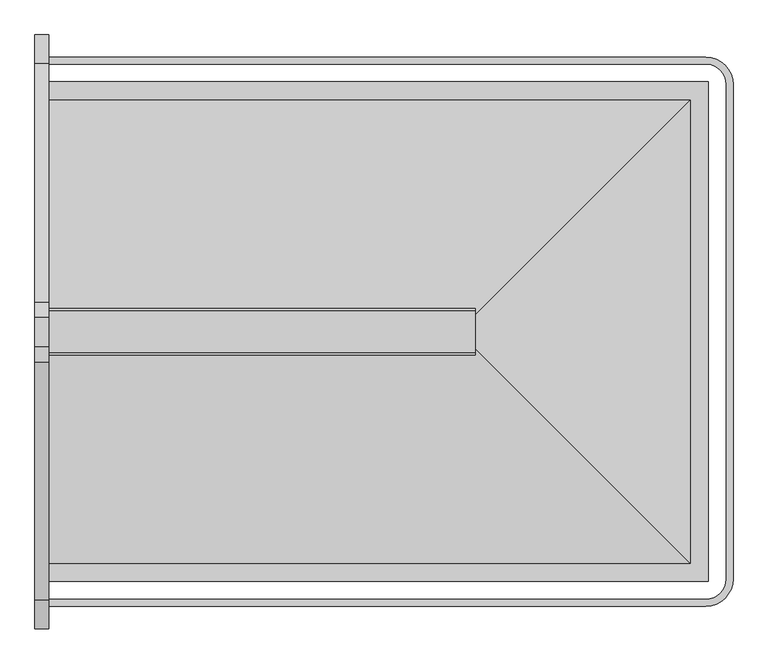
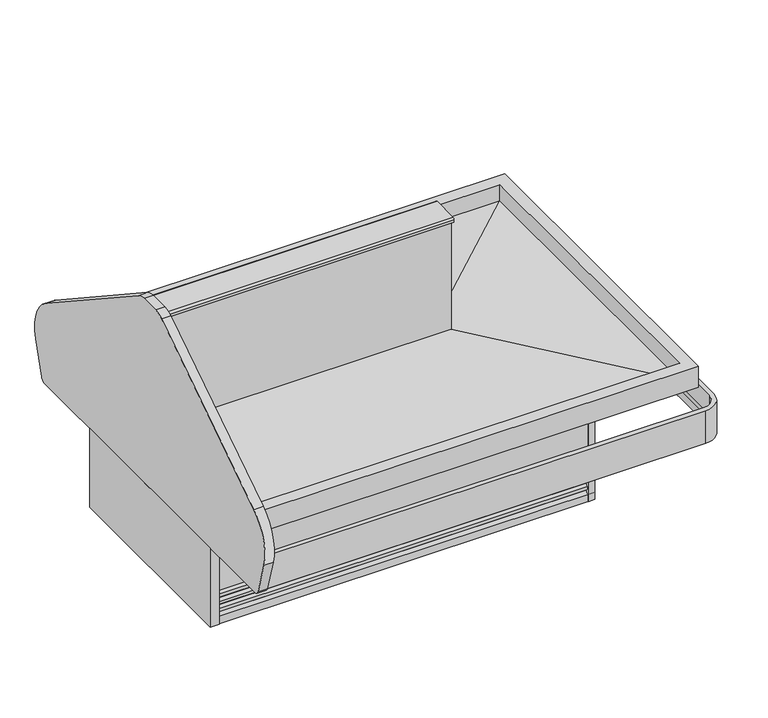
"""IFC4 building model written with IfcOpenShell, lengths in millimetres: proxy geometry."""

from ifc_helpers import new_model, si_unit, point, frame, frame_2d, origin, origin_with_axes, place, context, project, spatial, polyline, circle_curve, ellipse_curve, trimmed, segment, composite_curve, outline, extrude, faceted_brep, source, transform, mapped, element, save
from ifc_brep_helpers import plane_surface, cylinder_surface, revolved_surface, advanced_brep


def mechanical_equipment_9967d1b8(model_context):
    return source(origin(), model_context, "Body", "SolidModel", [
        extrude(outline(polyline([(1134.8471585, -1349.5419805), (1439.6471585, -1349.5419805), (1439.6471585, -1451.1419805), (1134.8471585, -1451.1419805), (1134.8471585, -1349.5419805)])), frame((0.0, 0.0, 139.7), z_axis=(0.0, 0.0, 1.0), x_axis=(1.0, 0.0, 0.0)), (0.0, 0.0, 1.0), 53.975),
        extrude(outline(polyline([(1531.3598969, -1584.9212739), (1531.3598969, -1559.5212739), (1558.1766466, -1559.5212739), (1558.1766466, -1584.9212739), (1531.3598969, -1584.9212739)])), origin_with_axes(), (0.0, 0.0, 1.0), 374.65),
        extrude(outline(polyline([(1531.3598969, -741.8679807), (1558.1766466, -741.8679807), (1558.1766466, -767.2679807), (1531.3598969, -767.2679807), (1531.3598969, -741.8679807)])), origin_with_axes(), (0.0, 0.0, 1.0), 374.65),
        extrude(outline(polyline([(0.0, -731.9819232), (0.0, -1595.5819232), (-38.1, -1595.5819232), (-38.1, -731.9819232), (0.0, -731.9819232)])), frame((0.0, 0.0, 6.9057478), z_axis=(0.0, 0.0, 1.0), x_axis=(1.0, 0.0, 0.0)), (0.0, 0.0, 1.0), 345.0493522),
        extrude(outline(composite_curve([segment(trimmed(circle_curve(frame_2d((-516.8439232, 562.0131)), 177.8), [point((-419.2796259, 710.653767))], [point((-346.4870073, 511.107686))], False, "CARTESIAN"), True, "CONTINUOUS"), segment(polyline([(-346.4870073, 511.107686), (-388.6275049, 370.082898)]), True, "CONTINUOUS"), segment(trimmed(circle_curve(frame_2d((-412.9642072, 377.3551)), 25.4), [point((-388.6275049, 370.082898))], [point((-412.9642072, 351.9551))], False, "CARTESIAN"), True, "CONTINUOUS"), segment(polyline([(-412.9642072, 351.9551), (-1914.5996393, 351.9551)]), True, "CONTINUOUS"), segment(trimmed(circle_curve(frame_2d((-1914.5996393, 377.3551)), 25.4), [point((-1914.5996393, 351.9551))], [point((-1938.9363416, 370.082898))], False, "CARTESIAN"), True, "CONTINUOUS"), segment(polyline([(-1938.9363416, 370.082898), (-1981.0768392, 511.107686)]), True, "CONTINUOUS"), segment(trimmed(circle_curve(frame_2d((-1810.7199232, 562.0131)), 177.8), [point((-1981.0768392, 511.107686))], [point((-1908.2842206, 710.653767))], False, "CARTESIAN"), True, "CONTINUOUS"), segment(polyline([(-1908.2842206, 710.653767), (-1246.8701935, 1144.790643)]), True, "CONTINUOUS"), segment(trimmed(circle_curve(frame_2d((-1205.0569232, 1081.0875)), 76.2), [point((-1246.8701935, 1144.790643))], [point((-1205.0569232, 1157.2875))], False, "CARTESIAN"), True, "CONTINUOUS"), segment(polyline([(-1205.0569232, 1157.2875), (-1122.5069232, 1157.2875)]), True, "CONTINUOUS"), segment(trimmed(circle_curve(frame_2d((-1122.5069232, 1081.0875)), 76.2), [point((-1122.5069232, 1157.2875))], [point((-1080.693653, 1144.790643))], False, "CARTESIAN"), True, "CONTINUOUS"), segment(polyline([(-1080.693653, 1144.790643), (-419.2796259, 710.653767)]), True, "CONTINUOUS")], self_intersect=False)), frame((-38.1, 0.0, 0.0), z_axis=(1.0, 0.0, 0.0), x_axis=(0.0, 1.0, 0.0)), (0.0, 0.0, 1.0), 38.1),
        advanced_brep(
        [(0.0, -420.1796936, 418.0867024), (0.0, -416.2093665, 395.5698585), (1822.5002227, -416.2093665, 395.5698585), (1822.5002227, -420.1796936, 418.0867024), (0.0, -420.1796936, 502.405218), (1822.5002227, -420.1796936, 502.405218), (0.0, -401.4773665, 502.405218), (1879.8649337, -477.5444046, 502.405218), (1879.8649337, -1849.24485, 502.405218), (1822.5002227, -1906.609561, 502.405218), (0.0, -1906.609561, 502.405218), (0.0, -1925.3118881, 502.405218), (1822.5002227, -1925.3118881, 502.405218), (1898.5672608, -1849.24485, 502.405218), (1898.5672608, -477.5444046, 502.405218), (1822.5002227, -401.4773665, 502.405218), (0.0, -401.4773665, 359.148946), (1822.5002227, -401.4773665, 359.148946), (0.0, -416.2093665, 359.148946), (1898.5672608, -477.5444046, 359.148946), (1898.5672608, -1849.24485, 359.148946), (1822.5002227, -1925.3118881, 359.148946), (0.0, -1925.3118881, 359.148946), (0.0, -1910.5798881, 359.148946), (1822.5002227, -1910.5798881, 359.148946), (1883.8352608, -1849.24485, 359.148946), (1883.8352608, -477.5444046, 359.148946), (1822.5002227, -416.2093665, 359.148946), (1879.8649337, -477.5444046, 418.0867024), (1883.8352608, -477.5444046, 395.5698585), (1883.8352608, -1849.24485, 395.5698585), (1879.8649337, -1849.24485, 418.0867024), (1822.5002227, -1906.609561, 418.0867024), (1822.5002227, -1910.5798881, 395.5698585), (0.0, -1910.5798881, 395.5698585), (0.0, -1906.609561, 418.0867024)],
        [
            (0, 1),
            (1, 2),
            (2, 3),
            (3, 0),
            (4, 0),
            (3, 5),
            (5, 4),
            (6, 4),
            (5, 7, circle_curve(frame((1822.5002227, -477.5444046, 502.405218), z_axis=(0.0, 0.0, -1.0), x_axis=(0.0, 1.0, 0.0)), 57.364711)),
            (7, 8),
            (8, 9, circle_curve(frame((1822.5002227, -1849.24485, 502.405218), z_axis=(0.0, 0.0, -1.0), x_axis=(1.0, 0.0, 0.0)), 57.364711)),
            (9, 10),
            (10, 11),
            (11, 12),
            (12, 13, circle_curve(frame((1822.5002227, -1849.24485, 502.405218), z_axis=(0.0, 0.0, 1.0), x_axis=(1.0, 0.0, 0.0)), 76.0670381)),
            (13, 14),
            (14, 15, circle_curve(frame((1822.5002227, -477.5444046, 502.405218), z_axis=(0.0, 0.0, 1.0), x_axis=(0.0, 1.0, 0.0)), 76.0670381)),
            (15, 6),
            (16, 6),
            (15, 17),
            (17, 16),
            (18, 16),
            (17, 19, circle_curve(frame((1822.5002227, -477.5444046, 359.148946), z_axis=(0.0, 0.0, -1.0), x_axis=(0.0, 1.0, 0.0)), 76.0670381)),
            (19, 20),
            (20, 21, circle_curve(frame((1822.5002227, -1849.24485, 359.148946), z_axis=(0.0, 0.0, -1.0), x_axis=(1.0, 0.0, 0.0)), 76.0670381)),
            (21, 22),
            (22, 23),
            (23, 24),
            (24, 25, circle_curve(frame((1822.5002227, -1849.24485, 359.148946), z_axis=(0.0, 0.0, 1.0), x_axis=(1.0, 0.0, 0.0)), 61.3350381)),
            (25, 26),
            (26, 27, circle_curve(frame((1822.5002227, -477.5444046, 359.148946), z_axis=(0.0, 0.0, 1.0), x_axis=(0.0, 1.0, 0.0)), 61.3350381)),
            (27, 18),
            (1, 18),
            (27, 2),
            (28, 3, circle_curve(frame((1822.5002227, -477.5444046, 418.0867024), z_axis=(0.0, 0.0, 1.0), x_axis=(0.0, 1.0, 0.0)), 57.364711)),
            (2, 29, circle_curve(frame((1822.5002227, -477.5444046, 395.5698585), z_axis=(0.0, 0.0, -1.0), x_axis=(0.0, 1.0, 0.0)), 61.3350381)),
            (29, 28),
            (28, 7),
            (14, 19),
            (26, 29),
            (29, 30),
            (30, 31),
            (31, 28),
            (31, 8),
            (13, 20),
            (25, 30),
            (32, 31, circle_curve(frame((1822.5002227, -1849.24485, 418.0867024), z_axis=(0.0, 0.0, 1.0), x_axis=(1.0, 0.0, 0.0)), 57.364711)),
            (30, 33, circle_curve(frame((1822.5002227, -1849.24485, 395.5698585), z_axis=(0.0, 0.0, -1.0), x_axis=(1.0, 0.0, 0.0)), 61.3350381)),
            (33, 32),
            (32, 9),
            (12, 21),
            (24, 33),
            (34, 23),
            (22, 11),
            (10, 35),
            (35, 34),
            (33, 34),
            (35, 32),
        ],
        [
            plane_surface(frame((0.0, -416.2093665, 395.5698585), z_axis=(0.0, -0.9848077530122059, -0.17364817766694265), x_axis=(1.0, 0.0, 0.0))),
            plane_surface(frame((0.0, -420.1796936, 418.0867024), z_axis=(0.0, -1.0, 0.0), x_axis=(1.0, 0.0, 0.0))),
            plane_surface(frame((0.0, -420.1796936, 502.405218), z_axis=(0.0, 0.0, 1.0), x_axis=(1.0, 0.0, 0.0))),
            plane_surface(frame((0.0, -401.4773665, 502.405218), z_axis=(0.0, 1.0, 0.0), x_axis=(1.0, 0.0, 0.0))),
            plane_surface(frame((0.0, -401.4773665, 359.148946), z_axis=(0.0, 0.0, -1.0), x_axis=(1.0, 0.0, 0.0))),
            plane_surface(frame((0.0, -416.2093665, 359.148946), z_axis=(0.0, -1.0, 0.0), x_axis=(1.0, 0.0, 0.0))),
            revolved_surface(polyline([(1822.5002227, -416.2093665, 395.5698585), (1822.5002227, -420.1796936, 418.0867024)]), (1822.5002227, -477.5444046, 0.0), (0.0, 0.0, -1.0)),
            revolved_surface(polyline([(1822.5002227, -420.1796936, 418.0867024), (1822.5002227, -420.1796936, 502.405218)]), (1822.5002227, -477.5444046, 0.0), (0.0, 0.0, -1.0)),
            cylinder_surface(frame((1822.5002227, -477.5444046, 0.0), z_axis=(0.0, 0.0, -1.0), x_axis=(0.0, 1.0, 0.0)), 76.0670381),
            revolved_surface(polyline([(1822.5002227, -416.2093665, 359.148946), (1822.5002227, -416.2093665, 395.5698585)]), (1822.5002227, -477.5444046, 0.0), (0.0, 0.0, -1.0)),
            plane_surface(frame((1883.8352608, -477.5444046, 395.5698585), z_axis=(-0.9848077530122059, 0.0, -0.17364817766694265), x_axis=(0.0, -1.0, 0.0))),
            plane_surface(frame((1879.8649337, -477.5444046, 418.0867024), z_axis=(-1.0, 0.0, 0.0), x_axis=(0.0, -1.0, 0.0))),
            plane_surface(frame((1898.5672608, -477.5444046, 502.405218), z_axis=(1.0, 0.0, 0.0), x_axis=(0.0, -1.0, 0.0))),
            plane_surface(frame((1883.8352608, -477.5444046, 359.148946), z_axis=(-1.0, 0.0, 0.0), x_axis=(0.0, -1.0, 0.0))),
            revolved_surface(polyline([(1883.8352608, -1849.24485, 395.5698585), (1879.8649337, -1849.24485, 418.0867024)]), (1822.5002227, -1849.24485, 0.0), (0.0, 0.0, -1.0)),
            revolved_surface(polyline([(1879.8649337, -1849.24485, 418.0867024), (1879.8649337, -1849.24485, 502.405218)]), (1822.5002227, -1849.24485, 0.0), (0.0, 0.0, -1.0)),
            cylinder_surface(frame((1822.5002227, -1849.24485, 0.0), z_axis=(0.0, 0.0, -1.0), x_axis=(1.0, 0.0, 0.0)), 76.0670381),
            revolved_surface(polyline([(1883.8352608, -1849.24485, 359.148946), (1883.8352608, -1849.24485, 395.5698585)]), (1822.5002227, -1849.24485, 0.0), (0.0, 0.0, -1.0)),
            plane_surface(frame((0.0, -1925.44485, 0.0), z_axis=(-1.0, 0.0, 0.0), x_axis=(0.0, 0.0, 1.0))),
            plane_surface(frame((1822.5002227, -1910.5798881, 395.5698585), z_axis=(0.0, 0.9848077530122059, -0.17364817766694265), x_axis=(-1.0, 0.0, 0.0))),
            plane_surface(frame((1822.5002227, -1906.609561, 418.0867024), z_axis=(0.0, 1.0, 0.0), x_axis=(-1.0, 0.0, 0.0))),
            plane_surface(frame((1822.5002227, -1925.3118881, 502.405218), z_axis=(0.0, -1.0, 0.0), x_axis=(-1.0, 0.0, 0.0))),
            plane_surface(frame((1822.5002227, -1910.5798881, 359.148946), z_axis=(0.0, 1.0, 0.0), x_axis=(-1.0, 0.0, 0.0))),
            plane_surface(frame((0.0, -401.3444046, 0.0), z_axis=(-1.0, 0.0, 0.0), x_axis=(0.0, 0.0, 1.0))),
        ],
        [
            (0, [[1, 2, 3, 4]]),
            (1, [[5, -4, 6, 7]]),
            (2, [[8, -7, 9, 10, 11, 12, 13, 14, 15, 16, 17, 18]]),
            (3, [[19, -18, 20, 21]]),
            (4, [[22, -21, 23, 24, 25, 26, 27, 28, 29, 30, 31, 32]]),
            (5, [[33, -32, 34, -2]]),
            (6, [[35, -3, 36, 37]]),
            (7, [[-9, -6, -35, 38]]),
            (8, [[-23, -20, -17, 39]]),
            (9, [[-36, -34, -31, 40]]),
            (10, [[-37, 41, 42, 43]]),
            (11, [[-38, -43, 44, -10]]),
            (12, [[-39, -16, 45, -24]]),
            (13, [[-40, -30, 46, -41]]),
            (14, [[47, -42, 48, 49]]),
            (15, [[-11, -44, -47, 50]]),
            (16, [[-25, -45, -15, 51]]),
            (17, [[-48, -46, -29, 52]]),
            (18, [[53, -27, 54, -13, 55, 56]]),
            (19, [[-49, 57, -56, 58]]),
            (20, [[-50, -58, -55, -12]]),
            (21, [[-51, -14, -54, -26]]),
            (22, [[-52, -28, -53, -57]]),
            (23, [[-1, -5, -8, -19, -22, -33]]),
        ],
    ),
        extrude(outline(composite_curve([segment(trimmed(circle_curve(frame_2d((914.43601, -1163.895984)), 19.05), [point((895.38601, -1163.895984))], [point((933.48601, -1163.895984))], False, "CARTESIAN"), True, "CONTINUOUS"), segment(trimmed(circle_curve(frame_2d((914.43601, -1163.895984)), 19.05), [point((933.48601, -1163.895984))], [point((895.38601, -1163.895984))], False, "CARTESIAN"), True, "CONTINUOUS")], self_intersect=False)), frame((0.0, 0.0, 76.8737583), z_axis=(0.0, 0.0, 1.0), x_axis=(1.0, 0.0, 0.0)), (0.0, 0.0, 1.0), 177.1262417),
        extrude(outline(composite_curve([segment(trimmed(circle_curve(frame_2d((1201.880696, -839.5446273)), 11.1125), [point((1190.768196, -839.5446273))], [point((1212.993196, -839.5446273))], False, "CARTESIAN"), True, "CONTINUOUS"), segment(trimmed(circle_curve(frame_2d((1201.880696, -839.5446273)), 11.1125), [point((1212.993196, -839.5446273))], [point((1190.768196, -839.5446273))], False, "CARTESIAN"), True, "CONTINUOUS")], self_intersect=False)), frame((0.0, 0.0, 76.8737583), z_axis=(0.0, 0.0, 1.0), x_axis=(1.0, 0.0, 0.0)), (0.0, 0.0, 1.0), 177.1262417),
        extrude(outline(composite_curve([segment(trimmed(circle_curve(frame_2d((1226.7403435, -839.5446273)), 4.7625), [point((1221.9778435, -839.5446273))], [point((1231.5028435, -839.5446273))], False, "CARTESIAN"), True, "CONTINUOUS"), segment(trimmed(circle_curve(frame_2d((1226.7403435, -839.5446273)), 4.7625), [point((1231.5028435, -839.5446273))], [point((1221.9778435, -839.5446273))], False, "CARTESIAN"), True, "CONTINUOUS")], self_intersect=False)), frame((0.0, 0.0, 76.8737583), z_axis=(0.0, 0.0, 1.0), x_axis=(1.0, 0.0, 0.0)), (0.0, 0.0, 1.0), 177.1262417),
        advanced_brep(
        [(0.0, -1584.6852943, 354.4616084), (0.0, -1584.6852943, 146.1174288), (1557.940667, -1584.6852943, 146.1174288), (1557.940667, -1584.6852943, 354.4616084), (0.0, -1565.1907943, 374.65), (0.0, -1565.1907943, 354.4616084), (1538.446167, -1565.1907943, 354.4616084), (1538.446167, -1565.1907943, 374.65), (0.0, -1465.3557062, 146.1174288), (0.0, -1465.3557062, 374.65), (1438.6110789, -1465.3557062, 374.65), (1438.6110789, -1465.3557062, 198.7540798), (1131.5491321, -1465.3557062, 198.7540798), (1131.5491321, -1465.3557062, 146.1174288), (1557.940667, -742.1039603, 146.1174288), (1557.940667, -742.1039603, 354.4616084), (1538.446167, -761.5984603, 354.4616084), (1538.446167, -761.5984603, 374.65), (1438.6110789, -861.4335484, 374.65), (1438.6110789, -861.4335484, 146.1174288), (1438.6110789, -1332.4893336, 146.1174288), (1438.6110789, -1332.4893336, 198.7540798), (0.0, -742.1039603, 354.4616084), (0.0, -742.1039603, 146.1174288), (0.0, -761.5984603, 354.4616084), (0.0, -761.5984603, 374.65), (0.0, -861.4335484, 374.65), (0.0, -861.4335484, 146.1174288), (1193.0263558, -861.4335484, 146.1174288), (1193.0263558, -861.4335484, 254.0), (1239.0236442, -861.4335484, 254.0), (1239.0236442, -861.4335484, 146.1174288), (1184.275, -839.5446273, 254.0), (1247.775, -839.5446273, 254.0), (1247.775, -839.5446273, 146.1174288), (1184.275, -839.5446273, 146.1174288), (1442.6991321, -1332.4893336, 198.7540798), (1442.6991321, -1468.1946273, 198.7540798), (1131.5491321, -1468.1946273, 198.7540798), (1442.6991321, -1468.1946273, 146.1174288), (1131.5491321, -1468.1946273, 146.1174288), (1442.6991321, -1332.4893336, 146.1174288)],
        [
            (0, 1),
            (1, 2),
            (2, 3),
            (3, 0),
            (4, 5),
            (5, 6),
            (6, 7),
            (7, 4),
            (8, 9),
            (9, 10),
            (10, 11),
            (11, 12),
            (12, 13),
            (13, 8),
            (2, 14),
            (14, 15),
            (15, 3),
            (6, 16),
            (16, 17),
            (17, 7),
            (10, 18),
            (18, 19),
            (19, 20),
            (20, 21),
            (21, 11),
            (22, 15),
            (14, 23),
            (23, 22),
            (16, 24),
            (24, 25),
            (25, 17),
            (18, 26),
            (26, 27),
            (27, 28),
            (28, 29),
            (29, 30),
            (30, 31),
            (31, 19),
            (32, 33, circle_curve(frame((1216.025, -839.5446273, 254.0), z_axis=(0.0, 0.0, -1.0), x_axis=(1.0, 0.0, 0.0)), 31.75)),
            (33, 30, circle_curve(frame((1216.025, -839.5446273, 254.0), z_axis=(0.0, 0.0, -1.0), x_axis=(1.0, 0.0, 0.0)), 31.75)),
            (29, 32, circle_curve(frame((1216.025, -839.5446273, 254.0), z_axis=(0.0, 0.0, -1.0), x_axis=(1.0, 0.0, 0.0)), 31.75)),
            (33, 34),
            (34, 31, circle_curve(frame((1216.025, -839.5446273, 146.1174288), z_axis=(0.0, 0.0, -1.0), x_axis=(1.0, 0.0, 0.0)), 31.75)),
            (28, 35, circle_curve(frame((1216.025, -839.5446273, 146.1174288), z_axis=(0.0, 0.0, -1.0), x_axis=(1.0, 0.0, 0.0)), 31.75)),
            (35, 32),
            (35, 34, circle_curve(frame((1216.025, -839.5446273, 146.1174288), z_axis=(0.0, 0.0, -1.0), x_axis=(1.0, 0.0, 0.0)), 31.75)),
            (36, 37),
            (37, 38),
            (38, 12),
            (21, 36),
            (37, 39),
            (39, 40),
            (40, 38),
            (36, 41),
            (41, 39),
            (20, 41),
            (40, 13),
            (0, 5),
            (4, 9),
            (8, 1),
            (22, 24),
            (25, 26),
            (27, 23),
        ],
        [
            plane_surface(frame((0.0, -1584.6852943, 146.1174288), z_axis=(0.0, -1.0, 0.0), x_axis=(1.0, 0.0, 0.0))),
            plane_surface(frame((0.0, -1565.1907943, 354.4616084), z_axis=(0.0, -1.0, 0.0), x_axis=(1.0, 0.0, 0.0))),
            plane_surface(frame((0.0, -1465.3557062, 374.65), z_axis=(0.0, 1.0, 0.0), x_axis=(1.0, 0.0, 0.0))),
            plane_surface(frame((1557.940667, -1584.6852943, 146.1174288), z_axis=(1.0, 0.0, 0.0), x_axis=(0.0, 1.0, 0.0))),
            plane_surface(frame((1538.446167, -1565.1907943, 354.4616084), z_axis=(1.0, 0.0, 0.0), x_axis=(0.0, 1.0, 0.0))),
            plane_surface(frame((1438.6110789, -1465.3557062, 374.65), z_axis=(-1.0, 0.0, 0.0), x_axis=(0.0, 1.0, 0.0))),
            plane_surface(frame((1557.940667, -742.1039603, 146.1174288), z_axis=(0.0, 1.0, 0.0), x_axis=(-1.0, 0.0, 0.0))),
            plane_surface(frame((1538.446167, -761.5984603, 354.4616084), z_axis=(0.0, 1.0, 0.0), x_axis=(-1.0, 0.0, 0.0))),
            plane_surface(frame((1438.6110789, -861.4335484, 374.65), z_axis=(0.0, -1.0, 0.0), x_axis=(-1.0, 0.0, 0.0))),
            plane_surface(frame((1247.775, -839.5446273, 254.0), z_axis=(0.0, 0.0, -1.0), x_axis=(0.0, 1.0, 0.0))),
            revolved_surface(polyline([(1247.775, -839.5446273, 254.0), (1247.775, -839.5446273, 146.1174288)]), (1216.025, -839.5446273, 0.0), (0.0, 0.0, 1.0)),
            plane_surface(frame((1442.6991321, -1468.1946273, 198.7540798), z_axis=(0.0, 0.0, -1.0), x_axis=(1.0, 0.0, 0.0))),
            plane_surface(frame((1131.5491321, -1468.1946273, 198.7540798), z_axis=(0.0, 1.0, 0.0), x_axis=(0.0, 0.0, -1.0))),
            plane_surface(frame((1442.6991321, -1468.1946273, 198.7540798), z_axis=(-1.0, 0.0, 0.0), x_axis=(0.0, 0.0, -1.0))),
            plane_surface(frame((1442.6991321, -1332.4893336, 198.7540798), z_axis=(0.0, -1.0, 0.0), x_axis=(0.0, 0.0, -1.0))),
            plane_surface(frame((1131.5491321, -1332.4893336, 198.7540798), z_axis=(1.0, 0.0, 0.0), x_axis=(0.0, 0.0, -1.0))),
            plane_surface(frame((0.0, -1977.7821273, 0.0), z_axis=(-1.0, 0.0, 0.0), x_axis=(0.0, 0.0, 1.0))),
            plane_surface(frame((0.0, -1584.6852943, 354.4616084), z_axis=(0.0, 0.0, 1.0), x_axis=(1.0, 0.0, 0.0))),
            plane_surface(frame((0.0, -1565.1907943, 374.65), z_axis=(0.0, 0.0, 1.0), x_axis=(1.0, 0.0, 0.0))),
            plane_surface(frame((0.0, -1465.3557062, 146.1174288), z_axis=(0.0, 0.0, -1.0), x_axis=(1.0, 0.0, 0.0))),
            plane_surface(frame((0.0, -349.0071273, 0.0), z_axis=(-1.0, 0.0, 0.0), x_axis=(0.0, 0.0, 1.0))),
        ],
        [
            (0, [[1, 2, 3, 4]]),
            (1, [[5, 6, 7, 8]]),
            (2, [[9, 10, 11, 12, 13, 14]]),
            (3, [[-3, 15, 16, 17]]),
            (4, [[18, 19, 20, -7]]),
            (5, [[21, 22, 23, 24, 25, -11]]),
            (6, [[26, -16, 27, 28]]),
            (7, [[29, 30, 31, -19]]),
            (8, [[32, 33, 34, 35, 36, 37, 38, -22]]),
            (9, [[39, 40, -36, 41]]),
            (10, [[-40, 42, 43, -37]]),
            (10, [[-41, -35, 44, 45]]),
            (10, [[-39, -45, 46, -42]]),
            (11, [[47, 48, 49, -12, -25, 50]]),
            (12, [[-48, 51, 52, 53]]),
            (13, [[-47, 54, 55, -51]]),
            (14, [[-50, -24, 56, -54]]),
            (15, [[-49, -53, 57, -13]]),
            (16, [[-1, 58, -5, 59, -9, 60]]),
            (17, [[-58, -4, -17, -26, 61, -29, -18, -6]]),
            (18, [[-59, -8, -20, -31, 62, -32, -21, -10]]),
            (19, [[-60, -14, -57, -52, -55, -56, -23, -38, -43, -46, -44, -34, 63, -27, -15, -2]]),
            (20, [[-61, -28, -63, -33, -62, -30]]),
        ],
    ),
        advanced_brep(
        [(1438.6110789, -861.4335484, 374.65), (1438.6110789, -824.9422387, 374.65), (1438.6110789, -824.9422387, 439.7810985), (1438.6110789, -1117.3508313, 429.0471023), (1438.6110789, -1117.3508313, 581.4120358), (1438.6110789, -1209.4384232, 581.4120358), (1438.6110789, -1209.4384232, 429.0471023), (1438.6110789, -1501.8470159, 439.7810985), (1438.6110789, -1501.8470159, 374.65), (1438.6110789, -1465.3557062, 374.65), (1438.6110789, -1465.3557062, 198.7540798), (1438.6110789, -1332.4893336, 198.7540798), (1438.6110789, -1332.4893336, 139.7), (1438.6110789, -861.4335484, 139.7), (0.0, -861.4335484, 374.65), (0.0, -861.4335484, 139.7), (0.0, -1465.3557062, 139.7), (0.0, -1465.3557062, 374.65), (0.0, -1501.8470159, 374.65), (0.0, -1501.8470159, 439.7810985), (0.0, -1209.4384232, 429.0471023), (0.0, -1209.4384232, 581.4120358), (0.0, -1117.3508313, 581.4120358), (0.0, -1117.3508313, 429.0471023), (0.0, -824.9422387, 439.7810985), (0.0, -824.9422387, 374.65), (1131.5491321, -1465.3557062, 139.7), (1131.5491321, -1465.3557062, 198.7540798), (1193.0263558, -861.4335484, 139.7), (1239.0236442, -861.4335484, 139.7), (1131.5491321, -1332.4893336, 139.7), (889.0, -1163.895984, 139.7), (939.8, -1163.895984, 139.7), (1239.0236442, -861.4335484, 254.0), (1193.0263558, -861.4335484, 254.0), (889.0, -1163.895984, 254.0), (939.8, -1163.895984, 254.0), (1131.5491321, -1332.4893336, 198.7540798)],
        [
            (0, 1),
            (1, 2),
            (2, 3),
            (3, 4),
            (4, 5),
            (5, 6),
            (6, 7),
            (7, 8),
            (8, 9),
            (9, 10),
            (10, 11),
            (11, 12),
            (12, 13),
            (13, 0),
            (14, 15),
            (15, 16),
            (16, 17),
            (17, 18),
            (18, 19),
            (19, 20),
            (20, 21),
            (21, 22),
            (22, 23),
            (23, 24),
            (24, 25),
            (25, 14),
            (0, 14),
            (25, 1),
            (3, 23),
            (22, 4),
            (21, 5),
            (20, 6),
            (16, 26),
            (26, 27),
            (27, 10),
            (9, 17),
            (15, 28),
            (28, 29, circle_curve(frame((1216.025, -839.5446273, 139.7), z_axis=(0.0, 0.0, 1.0), x_axis=(1.0, 0.0, 0.0)), 31.75)),
            (29, 13),
            (12, 30),
            (30, 26),
            (31, 32, circle_curve(frame((914.4, -1163.895984, 139.7), z_axis=(0.0, 0.0, 1.0), x_axis=(1.0, 0.0, 0.0)), 25.4)),
            (32, 31, circle_curve(frame((914.4, -1163.895984, 139.7), z_axis=(0.0, 0.0, 1.0), x_axis=(1.0, 0.0, 0.0)), 25.4)),
            (29, 33),
            (33, 34),
            (34, 28),
            (24, 2),
            (19, 7),
            (18, 8),
            (33, 34, circle_curve(frame((1216.025, -839.5446273, 254.0), z_axis=(0.0, 0.0, -1.0), x_axis=(1.0, 0.0, 0.0)), 31.75)),
            (35, 36, circle_curve(frame((914.4, -1163.895984, 254.0), z_axis=(0.0, 0.0, -1.0), x_axis=(1.0, 0.0, 0.0)), 25.4)),
            (36, 35, circle_curve(frame((914.4, -1163.895984, 254.0), z_axis=(0.0, 0.0, -1.0), x_axis=(1.0, 0.0, 0.0)), 25.4)),
            (36, 32),
            (31, 35),
            (27, 37),
            (37, 11),
            (37, 30),
        ],
        [
            plane_surface(frame((1438.6110789, -861.4335484, 374.65), z_axis=(1.0, 0.0, 0.0), x_axis=(0.0, 1.0, 0.0))),
            plane_surface(frame((0.0, -861.4335484, 374.65), z_axis=(-1.0, 0.0, 0.0), x_axis=(0.0, -1.0, 0.0))),
            plane_surface(frame((1438.6110789, -861.4335484, 374.65), z_axis=(0.0, 0.0, -1.0), x_axis=(-1.0, 0.0, 0.0))),
            plane_surface(frame((1438.6110789, -1117.3508313, 429.0471023), z_axis=(0.0, 1.0, 0.0), x_axis=(-1.0, 0.0, 0.0))),
            plane_surface(frame((1438.6110789, -1117.3508313, 581.4120358), z_axis=(0.0, 0.0, 1.0), x_axis=(-1.0, 0.0, 0.0))),
            plane_surface(frame((1438.6110789, -1209.4384232, 581.4120358), z_axis=(0.0, -1.0, 0.0), x_axis=(-1.0, 0.0, 0.0))),
            plane_surface(frame((1438.6110789, -1465.3557062, 374.65), z_axis=(0.0, -1.0, 0.0), x_axis=(-1.0, 0.0, 0.0))),
            plane_surface(frame((1438.6110789, -1465.3557062, 139.7), z_axis=(0.0, 0.0, -1.0), x_axis=(-1.0, 0.0, 0.0))),
            plane_surface(frame((1438.6110789, -861.4335484, 139.7), z_axis=(0.0, 1.0, 0.0), x_axis=(-1.0, 0.0, 0.0))),
            plane_surface(frame((1438.6110789, -824.9422387, 374.65), z_axis=(0.0, 1.0, 0.0), x_axis=(-1.0, 0.0, 0.0))),
            plane_surface(frame((1438.6110789, -824.9422387, 439.7810985), z_axis=(0.0, -0.036684186164122584, 0.9993269087168003), x_axis=(-1.0, 0.0, 0.0))),
            plane_surface(frame((1438.6110789, -1209.4384232, 429.0471023), z_axis=(0.0, 0.0366841861641127, 0.9993269087168006), x_axis=(-1.0, 0.0, 0.0))),
            plane_surface(frame((1438.6110789, -1501.8470159, 439.7810985), z_axis=(0.0, -1.0, 0.0), x_axis=(-1.0, 0.0, 0.0))),
            plane_surface(frame((1438.6110789, -1501.8470159, 374.65), z_axis=(0.0, 0.0, -1.0), x_axis=(-1.0, 0.0, 0.0))),
            plane_surface(frame((1247.775, -839.5446273, 254.0), z_axis=(0.0, 0.0, -1.0), x_axis=(0.0, 1.0, 0.0))),
            revolved_surface(polyline([(1247.775, -839.5446273, 254.0), (1247.775, -839.5446273, 139.7)]), (1216.025, -839.5446273, 0.0), (0.0, 0.0, 1.0)),
            plane_surface(frame((939.8, -1163.895984, 254.0), z_axis=(0.0, 0.0, -1.0), x_axis=(0.0, 1.0, 0.0))),
            revolved_surface(polyline([(939.8, -1163.895984, 254.0), (939.8, -1163.895984, 139.7)]), (914.4, -1163.895984, 0.0), (0.0, 0.0, 1.0)),
            plane_surface(frame((1442.6991321, -1468.1946273, 198.7540798), z_axis=(0.0, 0.0, -1.0), x_axis=(1.0, 0.0, 0.0))),
            plane_surface(frame((1442.6991321, -1332.4893336, 198.7540798), z_axis=(0.0, -1.0, 0.0), x_axis=(0.0, 0.0, -1.0))),
            plane_surface(frame((1131.5491321, -1332.4893336, 198.7540798), z_axis=(1.0, 0.0, 0.0), x_axis=(0.0, 0.0, -1.0))),
        ],
        [
            (0, [[1, 2, 3, 4, 5, 6, 7, 8, 9, 10, 11, 12, 13, 14]]),
            (1, [[15, 16, 17, 18, 19, 20, 21, 22, 23, 24, 25, 26]]),
            (2, [[-1, 27, -26, 28]]),
            (3, [[-4, 29, -23, 30]]),
            (4, [[-5, -30, -22, 31]]),
            (5, [[-6, -31, -21, 32]]),
            (6, [[-17, 33, 34, 35, -10, 36]]),
            (7, [[-16, 37, 38, 39, -13, 40, 41, -33], [42, 43]]),
            (8, [[-14, -39, 44, 45, 46, -37, -15, -27]]),
            (9, [[-2, -28, -25, 47]]),
            (10, [[-3, -47, -24, -29]]),
            (11, [[-7, -32, -20, 48]]),
            (12, [[-8, -48, -19, 49]]),
            (13, [[-9, -49, -18, -36]]),
            (14, [[50, -45]]),
            (15, [[-50, -44, -38, -46]]),
            (16, [[51, 52]]),
            (17, [[-52, 53, -42, 54]]),
            (17, [[-51, -54, -43, -53]]),
            (18, [[55, 56, -11, -35]]),
            (19, [[-56, 57, -40, -12]]),
            (20, [[-55, -34, -41, -57]]),
        ],
    ),
        advanced_brep(
        [(1558.1766466, -1584.9212739, 31.5422302), (1558.1766466, -1584.9212739, 0.0), (1558.1766466, -741.8679807, 0.0), (1558.1766466, -741.8679807, 31.5422302), (1544.5588436, -755.4857837, 41.1495431), (1544.5588436, -1571.3034709, 41.1495431), (1541.0697466, -758.9748807, 52.3148032), (1541.0697466, -1567.8143739, 52.3148032), (1551.7069418, -748.3376855, 50.1569804), (1551.7069418, -1578.4515691, 50.1569804), (1553.7008418, -1580.4454691, 62.8569804), (1553.7008418, -1580.4454691, 50.1569804), (1553.7008418, -746.3437855, 50.1569804), (1553.7008418, -746.3437855, 62.8569804), (1544.5588436, -755.4857837, 72.1217262), (1544.5588436, -1571.3034709, 72.1217262), (1541.0697466, -758.9748807, 83.2869863), (1541.0697466, -1567.8143739, 83.2869863), (1551.7069418, -748.3376855, 81.1291635), (1551.7069418, -1578.4515691, 81.1291635), (1553.7008418, -1580.4454691, 93.8291635), (1553.7008418, -1580.4454691, 81.1291635), (1553.7008418, -746.3437855, 81.1291635), (1553.7008418, -746.3437855, 93.8291635), (1544.5588436, -755.4857837, 103.0939093), (1544.5588436, -1571.3034709, 103.0939093), (1541.0697466, -758.9748807, 114.1327174), (1541.0697466, -1567.8143739, 114.1327174), (1551.7069418, -748.3376855, 112.1015335), (1551.7069418, -1578.4515691, 112.1015335), (1553.7008418, -1580.4454691, 124.8015335), (1553.7008418, -1580.4454691, 112.1015335), (1553.7008418, -746.3437855, 112.1015335), (1553.7008418, -746.3437855, 124.8015335), (1541.0697466, -758.9748807, 137.5013466), (1541.0697466, -1567.8143739, 137.5013466), (1541.0697466, -758.9748807, 146.1174288), (1541.0697466, -1567.8143739, 146.1174288), (1534.8971585, -1561.6417858, 0.0), (1534.8971585, -1561.6417858, 146.1174288), (1534.8971585, -765.1474688, 146.1174288), (1534.8971585, -765.1474688, 0.0), (0.0, -741.8679807, 0.0), (0.0, -741.8679807, 31.5422302), (0.0, -755.4857837, 41.1495431), (0.0, -758.9748807, 52.3148032), (0.0, -748.3376855, 50.1569804), (0.0, -746.3437855, 50.1569804), (0.0, -746.3437855, 62.8569804), (0.0, -755.4857837, 72.1217262), (0.0, -758.9748807, 83.2869863), (0.0, -748.3376855, 81.1291635), (0.0, -746.3437855, 81.1291635), (0.0, -746.3437855, 93.8291635), (0.0, -755.4857837, 103.0939093), (0.0, -758.9748807, 114.1327174), (0.0, -748.3376855, 112.1015335), (0.0, -746.3437855, 112.1015335), (0.0, -746.3437855, 124.8015335), (0.0, -758.9748807, 137.5013466), (0.0, -758.9748807, 146.1174288), (0.0, -765.1474688, 146.1174288), (0.0, -765.1474688, 0.0), (0.0, -1584.9212739, 31.5422302), (0.0, -1584.9212739, 0.0), (0.0, -1571.3034709, 41.1495431), (0.0, -1567.8143739, 52.3148032), (0.0, -1578.4515691, 50.1569804), (0.0, -1580.4454691, 50.1569804), (0.0, -1580.4454691, 62.8569804), (0.0, -1571.3034709, 72.1217262), (0.0, -1567.8143739, 83.2869863), (0.0, -1578.4515691, 81.1291635), (0.0, -1580.4454691, 81.1291635), (0.0, -1580.4454691, 93.8291635), (0.0, -1571.3034709, 103.0939093), (0.0, -1567.8143739, 114.1327174), (0.0, -1578.4515691, 112.1015335), (0.0, -1580.4454691, 112.1015335), (0.0, -1580.4454691, 124.8015335), (0.0, -1567.8143739, 137.5013466), (0.0, -1567.8143739, 146.1174288), (0.0, -1561.6417858, 146.1174288), (0.0, -1561.6417858, 0.0)],
        [
            (0, 1),
            (1, 2),
            (2, 3),
            (3, 0),
            (3, 4, ellipse_curve(frame((1556.8926808, -743.1519465, 44.1771593), z_axis=(-0.7071067811865475, 0.7071067811865475, 0.0), x_axis=(0.7071067811865474, 0.7071067811865476, 0.0)), 17.9605122, 12.7)),
            (4, 5),
            (5, 0, ellipse_curve(frame((1556.8926808, -1583.6373081, 44.1771593), z_axis=(-0.7071067811865475, -0.7071067811865475, 0.0), x_axis=(-0.7071067811865474, 0.7071067811865476, 0.0)), 17.9605122, 12.7)),
            (4, 6),
            (6, 7),
            (7, 5),
            (6, 8),
            (8, 9),
            (9, 7),
            (10, 11),
            (11, 12),
            (12, 13),
            (13, 10),
            (13, 14, ellipse_curve(frame((1556.8926808, -743.1519465, 75.1493424), z_axis=(-0.7071067811865475, 0.7071067811865475, 0.0), x_axis=(0.7071067811865474, 0.7071067811865476, 0.0)), 17.9605122, 12.7)),
            (14, 15),
            (15, 10, ellipse_curve(frame((1556.8926808, -1583.6373081, 75.1493424), z_axis=(-0.7071067811865475, -0.7071067811865475, 0.0), x_axis=(-0.7071067811865474, 0.7071067811865476, 0.0)), 17.9605122, 12.7)),
            (14, 16),
            (16, 17),
            (17, 15),
            (16, 18),
            (18, 19),
            (19, 17),
            (20, 21),
            (21, 22),
            (22, 23),
            (23, 20),
            (23, 24, ellipse_curve(frame((1556.8926808, -743.1519465, 106.1215255), z_axis=(-0.7071067811865475, 0.7071067811865475, 0.0), x_axis=(0.7071067811865474, 0.7071067811865476, 0.0)), 17.9605122, 12.7)),
            (24, 25),
            (25, 20, ellipse_curve(frame((1556.8926808, -1583.6373081, 106.1215255), z_axis=(-0.7071067811865475, -0.7071067811865475, 0.0), x_axis=(-0.7071067811865474, 0.7071067811865476, 0.0)), 17.9605122, 12.7)),
            (24, 26),
            (26, 27),
            (27, 25),
            (26, 28),
            (28, 29),
            (29, 27),
            (30, 31),
            (31, 32),
            (32, 33),
            (33, 30),
            (33, 34, ellipse_curve(frame((1553.7697466, -746.2748807, 137.5013466), z_axis=(-0.7071067811865475, 0.7071067811865475, 0.0), x_axis=(0.7071067811865474, 0.7071067811865476, 0.0)), 17.9605122, 12.7)),
            (34, 35),
            (35, 30, ellipse_curve(frame((1553.7697466, -1580.5143739, 137.5013466), z_axis=(-0.7071067811865475, -0.7071067811865475, 0.0), x_axis=(-0.7071067811865474, 0.7071067811865476, 0.0)), 17.9605122, 12.7)),
            (34, 36),
            (36, 37),
            (37, 35),
            (38, 39),
            (39, 40),
            (40, 41),
            (41, 38),
            (42, 43),
            (43, 3),
            (2, 42),
            (43, 44, circle_curve(frame((0.0, -743.1519465, 44.1771593), z_axis=(-1.0, 0.0, 0.0), x_axis=(0.0, -1.0, 0.0)), 12.7)),
            (44, 4),
            (44, 45),
            (45, 6),
            (45, 46),
            (46, 8),
            (47, 48),
            (48, 13),
            (12, 47),
            (48, 49, circle_curve(frame((0.0, -743.1519465, 75.1493424), z_axis=(-1.0, 0.0, 0.0), x_axis=(0.0, -1.0, 0.0)), 12.7)),
            (49, 14),
            (49, 50),
            (50, 16),
            (50, 51),
            (51, 18),
            (52, 53),
            (53, 23),
            (22, 52),
            (53, 54, circle_curve(frame((0.0, -743.1519465, 106.1215255), z_axis=(-1.0, 0.0, 0.0), x_axis=(0.0, -1.0, 0.0)), 12.7)),
            (54, 24),
            (54, 55),
            (55, 26),
            (55, 56),
            (56, 28),
            (57, 58),
            (58, 33),
            (32, 57),
            (58, 59, circle_curve(frame((0.0, -746.2748807, 137.5013466), z_axis=(-1.0, 0.0, 0.0), x_axis=(0.0, -1.0, 0.0)), 12.7)),
            (59, 34),
            (59, 60),
            (60, 36),
            (61, 62),
            (62, 41),
            (40, 61),
            (63, 64),
            (64, 1),
            (0, 63),
            (65, 63, circle_curve(frame((0.0, -1583.6373081, 44.1771593), z_axis=(-1.0, 0.0, 0.0), x_axis=(0.0, 1.0, 0.0)), 12.7)),
            (5, 65),
            (66, 65),
            (7, 66),
            (67, 66),
            (9, 67),
            (68, 67),
            (46, 47),
            (11, 68),
            (69, 68),
            (10, 69),
            (70, 69, circle_curve(frame((0.0, -1583.6373081, 75.1493424), z_axis=(-1.0, 0.0, 0.0), x_axis=(0.0, 1.0, 0.0)), 12.7)),
            (15, 70),
            (71, 70),
            (17, 71),
            (72, 71),
            (19, 72),
            (73, 72),
            (51, 52),
            (21, 73),
            (74, 73),
            (20, 74),
            (75, 74, circle_curve(frame((0.0, -1583.6373081, 106.1215255), z_axis=(-1.0, 0.0, 0.0), x_axis=(0.0, 1.0, 0.0)), 12.7)),
            (25, 75),
            (76, 75),
            (27, 76),
            (77, 76),
            (29, 77),
            (78, 77),
            (56, 57),
            (31, 78),
            (79, 78),
            (30, 79),
            (80, 79, circle_curve(frame((0.0, -1580.5143739, 137.5013466), z_axis=(-1.0, 0.0, 0.0), x_axis=(0.0, 1.0, 0.0)), 12.7)),
            (35, 80),
            (81, 80),
            (37, 81),
            (82, 81),
            (60, 61),
            (39, 82),
            (83, 82),
            (38, 83),
            (64, 83),
            (62, 42),
        ],
        [
            plane_surface(frame((1558.1766466, -1584.9212739, 0.0), z_axis=(1.0, 0.0, 0.0), x_axis=(0.0, 1.0, 0.0))),
            revolved_surface(polyline([(1544.1926808, -730.4519465297965, 44.1771593), (1544.1926808, -1596.3373080702036, 44.1771593)]), (1556.8926808, -1977.7821273, 44.1771593), (0.0, 1.0, 0.0)),
            plane_surface(frame((1544.5588436, -1571.3034709, 41.1495431), z_axis=(0.9544811145040103, 0.0, 0.2982713564108735), x_axis=(0.0, 1.0, 0.0))),
            plane_surface(frame((1541.0697466, -1567.8143739, 52.3148032), z_axis=(-0.1988070788770616, 0.0, -0.9800386448443601), x_axis=(0.0, 1.0, 0.0))),
            plane_surface(frame((1553.7008418, -1580.4454691, 50.1569804), z_axis=(1.0, 0.0, 0.0), x_axis=(0.0, 1.0, 0.0))),
            revolved_surface(polyline([(1544.1926808, -730.4519465297965, 75.1493424), (1544.1926808, -1596.3373080702036, 75.1493424)]), (1556.8926808, -1977.7821273, 75.1493424), (0.0, 1.0, 0.0)),
            plane_surface(frame((1544.5588436, -1571.3034709, 72.1217262), z_axis=(0.9544811145040911, 0.0, 0.29827135641061525), x_axis=(0.0, 1.0, 0.0))),
            plane_surface(frame((1541.0697466, -1567.8143739, 83.2869863), z_axis=(-0.19880707887706084, 0.0, -0.9800386448443603), x_axis=(0.0, 1.0, 0.0))),
            plane_surface(frame((1553.7008418, -1580.4454691, 81.1291635), z_axis=(1.0, 0.0, 0.0), x_axis=(0.0, 1.0, 0.0))),
            revolved_surface(polyline([(1544.1926808, -730.4519465297965, 106.1215255), (1544.1926808, -1596.3373080702036, 106.1215255)]), (1556.8926808, -1977.7821273, 106.1215255), (0.0, 1.0, 0.0)),
            plane_surface(frame((1544.5588436, -1571.3034709, 103.0939093), z_axis=(0.9535043111327923, 0.0, 0.301379376618871), x_axis=(0.0, 1.0, 0.0))),
            plane_surface(frame((1541.0697466, -1567.8143739, 114.1327174), z_axis=(-0.18756221551811014, 0.0, -0.9822527247658507), x_axis=(0.0, 1.0, 0.0))),
            plane_surface(frame((1553.7008418, -1580.4454691, 112.1015335), z_axis=(1.0, 0.0, 0.0), x_axis=(0.0, 1.0, 0.0))),
            revolved_surface(polyline([(1541.0697466, -733.5748807297964, 137.5013466), (1541.0697466, -1593.2143738702036, 137.5013466)]), (1553.7697466, -1977.7821273, 137.5013466), (0.0, 1.0, 0.0)),
            plane_surface(frame((1541.0697466, -1567.8143739, 137.5013466), z_axis=(1.0, 0.0, 0.0), x_axis=(0.0, 1.0, 0.0))),
            plane_surface(frame((1534.8971585, -1561.6417858, 146.1174288), z_axis=(-1.0, 0.0, 0.0), x_axis=(0.0, 1.0, 0.0))),
            plane_surface(frame((1558.1766466, -741.8679807, 0.0), z_axis=(0.0, 1.0, 0.0), x_axis=(-1.0, 0.0, 0.0))),
            revolved_surface(polyline([(0.0, -755.8519465, 44.1771593), (1569.5926807702037, -755.8519465, 44.1771593)]), (1951.0375, -743.1519465, 44.1771593), (-1.0, 0.0, 0.0)),
            plane_surface(frame((1544.5588436, -755.4857837, 41.1495431), z_axis=(0.0, 0.9544811145040103, 0.2982713564108735), x_axis=(-1.0, 0.0, 0.0))),
            plane_surface(frame((1541.0697466, -758.9748807, 52.3148032), z_axis=(0.0, -0.1988070788770616, -0.9800386448443601), x_axis=(-1.0, 0.0, 0.0))),
            plane_surface(frame((1553.7008418, -746.3437855, 50.1569804), z_axis=(0.0, 1.0, 0.0), x_axis=(-1.0, 0.0, 0.0))),
            revolved_surface(polyline([(0.0, -755.8519465, 75.1493424), (1569.5926807702037, -755.8519465, 75.1493424)]), (1951.0375, -743.1519465, 75.1493424), (-1.0, 0.0, 0.0)),
            plane_surface(frame((1544.5588436, -755.4857837, 72.1217262), z_axis=(0.0, 0.9544811145040911, 0.29827135641061525), x_axis=(-1.0, 0.0, 0.0))),
            plane_surface(frame((1541.0697466, -758.9748807, 83.2869863), z_axis=(0.0, -0.19880707887706084, -0.9800386448443603), x_axis=(-1.0, 0.0, 0.0))),
            plane_surface(frame((1553.7008418, -746.3437855, 81.1291635), z_axis=(0.0, 1.0, 0.0), x_axis=(-1.0, 0.0, 0.0))),
            revolved_surface(polyline([(0.0, -755.8519465, 106.1215255), (1569.5926807702037, -755.8519465, 106.1215255)]), (1951.0375, -743.1519465, 106.1215255), (-1.0, 0.0, 0.0)),
            plane_surface(frame((1544.5588436, -755.4857837, 103.0939093), z_axis=(0.0, 0.9535043111327923, 0.301379376618871), x_axis=(-1.0, 0.0, 0.0))),
            plane_surface(frame((1541.0697466, -758.9748807, 114.1327174), z_axis=(0.0, -0.18756221551811014, -0.9822527247658507), x_axis=(-1.0, 0.0, 0.0))),
            plane_surface(frame((1553.7008418, -746.3437855, 112.1015335), z_axis=(0.0, 1.0, 0.0), x_axis=(-1.0, 0.0, 0.0))),
            revolved_surface(polyline([(0.0, -758.9748807000001, 137.5013466), (1566.4697465702036, -758.9748807000001, 137.5013466)]), (1951.0375, -746.2748807, 137.5013466), (-1.0, 0.0, 0.0)),
            plane_surface(frame((1541.0697466, -758.9748807, 137.5013466), z_axis=(0.0, 1.0, 0.0), x_axis=(-1.0, 0.0, 0.0))),
            plane_surface(frame((1534.8971585, -765.1474688, 146.1174288), z_axis=(0.0, -1.0, 0.0), x_axis=(-1.0, 0.0, 0.0))),
            plane_surface(frame((0.0, -1584.9212739, 0.0), z_axis=(0.0, -1.0, 0.0), x_axis=(1.0, 0.0, 0.0))),
            revolved_surface(polyline([(1569.5926807702037, -1570.9373080999999, 44.1771593), (0.0, -1570.9373080999999, 44.1771593)]), (0.0, -1583.6373081, 44.1771593), (1.0, 0.0, 0.0)),
            plane_surface(frame((0.0, -1571.3034709, 41.1495431), z_axis=(0.0, -0.9544811145040103, 0.2982713564108735), x_axis=(1.0, 0.0, 0.0))),
            plane_surface(frame((0.0, -1567.8143739, 52.3148032), z_axis=(0.0, 0.1988070788770616, -0.9800386448443601), x_axis=(1.0, 0.0, 0.0))),
            plane_surface(frame((0.0, -1578.4515691, 50.1569804), z_axis=(0.0, 0.0, -1.0), x_axis=(1.0, 0.0, 0.0))),
            plane_surface(frame((0.0, -1580.4454691, 50.1569804), z_axis=(0.0, -1.0, 0.0), x_axis=(1.0, 0.0, 0.0))),
            revolved_surface(polyline([(1569.5926807702037, -1570.9373080999999, 75.1493424), (0.0, -1570.9373080999999, 75.1493424)]), (0.0, -1583.6373081, 75.1493424), (1.0, 0.0, 0.0)),
            plane_surface(frame((0.0, -1571.3034709, 72.1217262), z_axis=(0.0, -0.9544811145040911, 0.29827135641061525), x_axis=(1.0, 0.0, 0.0))),
            plane_surface(frame((0.0, -1567.8143739, 83.2869863), z_axis=(0.0, 0.19880707887706084, -0.9800386448443603), x_axis=(1.0, 0.0, 0.0))),
            plane_surface(frame((0.0, -1578.4515691, 81.1291635), z_axis=(0.0, 0.0, -1.0), x_axis=(1.0, 0.0, 0.0))),
            plane_surface(frame((0.0, -1580.4454691, 81.1291635), z_axis=(0.0, -1.0, 0.0), x_axis=(1.0, 0.0, 0.0))),
            revolved_surface(polyline([(1569.5926807702037, -1570.9373080999999, 106.1215255), (0.0, -1570.9373080999999, 106.1215255)]), (0.0, -1583.6373081, 106.1215255), (1.0, 0.0, 0.0)),
            plane_surface(frame((0.0, -1571.3034709, 103.0939093), z_axis=(0.0, -0.9535043111327923, 0.301379376618871), x_axis=(1.0, 0.0, 0.0))),
            plane_surface(frame((0.0, -1567.8143739, 114.1327174), z_axis=(0.0, 0.18756221551811014, -0.9822527247658507), x_axis=(1.0, 0.0, 0.0))),
            plane_surface(frame((0.0, -1578.4515691, 112.1015335), z_axis=(0.0, 0.0, -1.0), x_axis=(1.0, 0.0, 0.0))),
            plane_surface(frame((0.0, -1580.4454691, 112.1015335), z_axis=(0.0, -1.0, 0.0), x_axis=(1.0, 0.0, 0.0))),
            revolved_surface(polyline([(1566.4697465702036, -1567.8143739, 137.5013466), (0.0, -1567.8143739, 137.5013466)]), (0.0, -1580.5143739, 137.5013466), (1.0, 0.0, 0.0)),
            plane_surface(frame((0.0, -1567.8143739, 137.5013466), z_axis=(0.0, -1.0, 0.0), x_axis=(1.0, 0.0, 0.0))),
            plane_surface(frame((0.0, -1567.8143739, 146.1174288), z_axis=(0.0, 0.0, 1.0), x_axis=(1.0, 0.0, 0.0))),
            plane_surface(frame((0.0, -1561.6417858, 146.1174288), z_axis=(0.0, 1.0, 0.0), x_axis=(1.0, 0.0, 0.0))),
            plane_surface(frame((0.0, -1561.6417858, 0.0), z_axis=(0.0, 0.0, -1.0), x_axis=(1.0, 0.0, 0.0))),
            plane_surface(frame((0.0, -1977.7821273, 0.0), z_axis=(-1.0, 0.0, 0.0), x_axis=(0.0, 0.0, 1.0))),
            plane_surface(frame((0.0, -349.0071273, 0.0), z_axis=(-1.0, 0.0, 0.0), x_axis=(0.0, 0.0, 1.0))),
        ],
        [
            (0, [[1, 2, 3, 4]]),
            (1, [[-4, 5, 6, 7]]),
            (2, [[-6, 8, 9, 10]]),
            (3, [[-9, 11, 12, 13]]),
            (4, [[14, 15, 16, 17]]),
            (5, [[-17, 18, 19, 20]]),
            (6, [[-19, 21, 22, 23]]),
            (7, [[-22, 24, 25, 26]]),
            (8, [[27, 28, 29, 30]]),
            (9, [[-30, 31, 32, 33]]),
            (10, [[-32, 34, 35, 36]]),
            (11, [[-35, 37, 38, 39]]),
            (12, [[40, 41, 42, 43]]),
            (13, [[-43, 44, 45, 46]]),
            (14, [[-45, 47, 48, 49]]),
            (15, [[50, 51, 52, 53]]),
            (16, [[54, 55, -3, 56]]),
            (17, [[57, 58, -5, -55]]),
            (18, [[59, 60, -8, -58]]),
            (19, [[61, 62, -11, -60]]),
            (20, [[63, 64, -16, 65]]),
            (21, [[66, 67, -18, -64]]),
            (22, [[68, 69, -21, -67]]),
            (23, [[70, 71, -24, -69]]),
            (24, [[72, 73, -29, 74]]),
            (25, [[75, 76, -31, -73]]),
            (26, [[77, 78, -34, -76]]),
            (27, [[79, 80, -37, -78]]),
            (28, [[81, 82, -42, 83]]),
            (29, [[84, 85, -44, -82]]),
            (30, [[86, 87, -47, -85]]),
            (31, [[88, 89, -52, 90]]),
            (32, [[91, 92, -1, 93]]),
            (33, [[94, -93, -7, 95]]),
            (34, [[96, -95, -10, 97]]),
            (35, [[98, -97, -13, 99]]),
            (36, [[100, -99, -12, -62, 101, -65, -15, 102]]),
            (37, [[103, -102, -14, 104]]),
            (38, [[105, -104, -20, 106]]),
            (39, [[107, -106, -23, 108]]),
            (40, [[109, -108, -26, 110]]),
            (41, [[111, -110, -25, -71, 112, -74, -28, 113]]),
            (42, [[114, -113, -27, 115]]),
            (43, [[116, -115, -33, 117]]),
            (44, [[118, -117, -36, 119]]),
            (45, [[120, -119, -39, 121]]),
            (46, [[122, -121, -38, -80, 123, -83, -41, 124]]),
            (47, [[125, -124, -40, 126]]),
            (48, [[127, -126, -46, 128]]),
            (49, [[129, -128, -49, 130]]),
            (50, [[131, -130, -48, -87, 132, -90, -51, 133]]),
            (51, [[134, -133, -50, 135]]),
            (52, [[136, -135, -53, -89, 137, -56, -2, -92]]),
            (53, [[-91, -94, -96, -98, -100, -103, -105, -107, -109, -111, -114, -116, -118, -120, -122, -125, -127, -129, -131, -134, -136]]),
            (54, [[-137, -88, -132, -86, -84, -81, -123, -79, -77, -75, -72, -112, -70, -68, -66, -63, -101, -61, -59, -57, -54]]),
        ],
    ),
        extrude(outline(composite_curve([segment(polyline([(-1118.1254232, 1126.34395), (-1118.1254232, 581.4120358), (-1209.4384232, 581.4120358), (-1209.4384232, 1126.34395), (-1228.0693232, 1126.34395), (-1228.0693232, 1137.4501)]), True, "CONTINUOUS"), segment(trimmed(circle_curve(frame_2d((-1220.9319232, 1137.4501)), 7.1374), [point((-1228.0693232, 1137.4501))], [point((-1220.9319232, 1144.5875))], False, "CARTESIAN"), True, "CONTINUOUS"), segment(polyline([(-1220.9319232, 1144.5875), (-1106.6319232, 1144.5875)]), True, "CONTINUOUS"), segment(trimmed(circle_curve(frame_2d((-1106.6319232, 1137.4501)), 7.1374), [point((-1106.6319232, 1144.5875))], [point((-1099.4945232, 1137.4501))], False, "CARTESIAN"), True, "CONTINUOUS"), segment(polyline([(-1099.4945232, 1137.4501), (-1099.4945232, 1126.34395), (-1118.1254232, 1126.34395)]), True, "CONTINUOUS")], self_intersect=False)), frame((0.0, 0.0, 0.0), z_axis=(1.0, 0.0, 0.0), x_axis=(0.0, 1.0, 0.0)), (0.0, 0.0, 1.0), 1182.693796),
        faceted_brep([(0.0, -1209.4384232, 648.8884047), (0.0, -1209.4384232, 429.0471023), (0.0, -1693.8123969, 446.8279354), (0.0, -1856.8739438, 561.0048878), (0.0, -1856.8739438, 652.4421919), (0.0, -1807.773253, 652.4421919), (0.0, -1807.773253, 581.4120358), (0.0, -1117.3508313, 648.8884047), (0.0, -519.0160016, 581.4120358), (0.0, -519.0160016, 652.4421919), (0.0, -469.9153108, 652.4421919), (0.0, -469.9153108, 561.0048878), (0.0, -632.9768577, 446.8279354), (0.0, -1117.3508313, 429.0471023), (1182.693796, -1209.4384232, 429.0471023), (1182.693796, -1209.4384232, 648.8884047), (1182.693796, -1117.3508313, 648.8884047), (1182.693796, -1117.3508313, 429.0471023), (1667.0677696, -1693.8123969, 446.8279354), (1667.0677696, -632.9768577, 446.8279354), (1830.1293165, -1856.8739438, 561.0048878), (1830.1293165, -469.9153108, 561.0048878), (1830.1293165, -1856.8739438, 652.4421919), (1830.1293165, -469.9153108, 652.4421919), (1781.0286257, -1807.773253, 581.4120358), (1781.0286257, -1807.773253, 652.4421919), (1781.0286257, -519.0160016, 652.4421919), (1781.0286257, -519.0160016, 581.4120358)], [[[0, 1, 2, 3, 4, 5, 6]], [[7, 8, 9, 10, 11, 12, 13]], [[14, 15, 16, 17]], [[18, 14, 17, 19]], [[20, 18, 19, 21]], [[22, 20, 21, 23]], [[24, 25, 26, 27]], [[15, 24, 27, 16]], [[17, 16, 7, 13]], [[19, 17, 13, 12]], [[21, 19, 12, 11]], [[23, 21, 11, 10]], [[27, 26, 9, 8]], [[16, 27, 8, 7]], [[1, 0, 15, 14]], [[2, 1, 14, 18]], [[3, 2, 18, 20]], [[4, 3, 20, 22]], [[5, 4, 22, 23, 10, 9, 26, 25]], [[6, 5, 25, 24]], [[0, 6, 24, 15]]]),
    ])


if __name__ == "__main__":
    model = new_model("IFC4")
    model_context = context("Model", 3, world=origin())
    ifc_project = project(units=[si_unit("LENGTHUNIT", "METRE", prefix="MILLI")], contexts=[model_context])
    site = spatial("IfcSite", under=ifc_project)
    building = spatial("IfcBuilding", under=site)
    placement = place(None, origin())
    mechanical_equipment_shape = mechanical_equipment_9967d1b8(model_context)
    element("IfcBuildingElementProxy", 1, Name="Mechanical Equipment", at=placement, inside=building, context=model_context, shape_type="MappedRepresentation", body=[
        mapped(mechanical_equipment_shape, transform((0.0, 0.0, 0.0), x_axis=(1.0, 0.0, 0.0), y_axis=(0.0, 1.0, 0.0), z_axis=(0.0, 0.0, 1.0))),
    ])
    save(model, "model.ifc")
